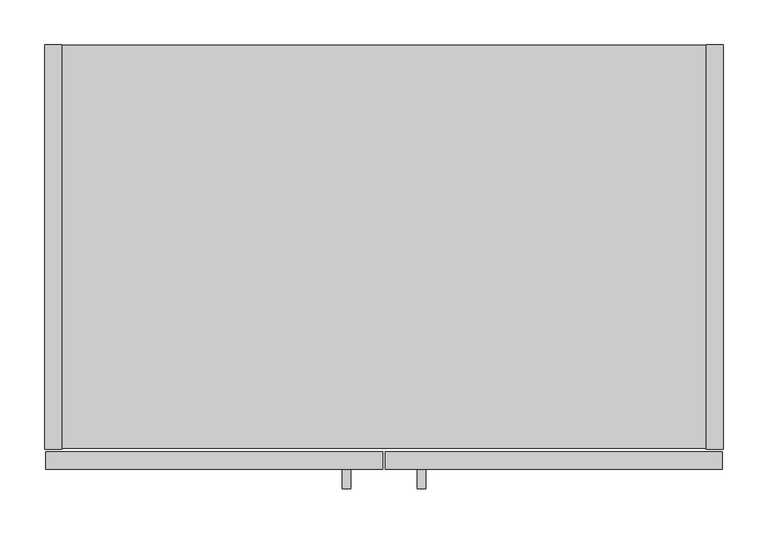
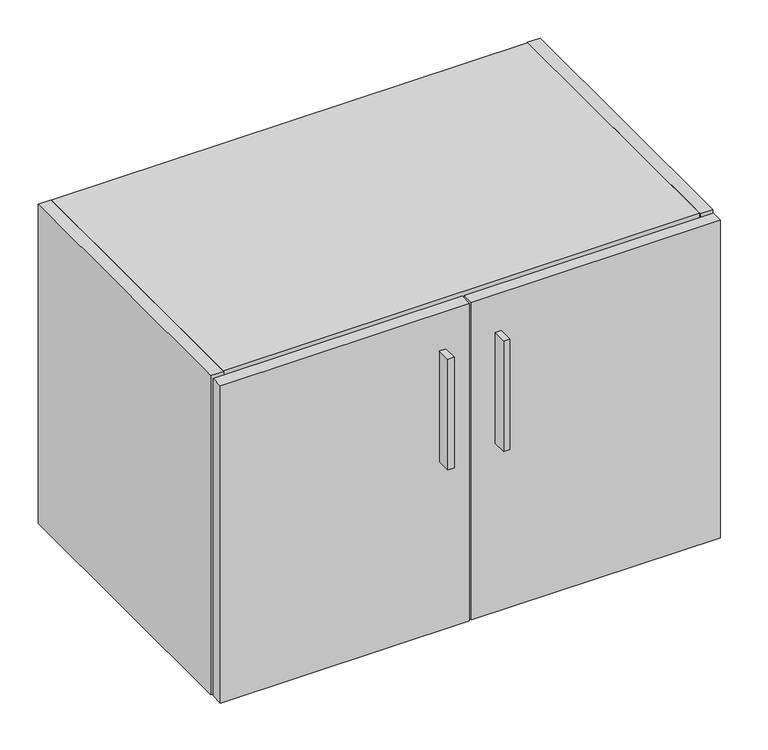
"""IFC4 building model written with IfcOpenShell, lengths in millimetres: furniture geometry."""

from ifc_helpers import new_model, si_unit, point, frame, frame_2d, origin, place, context, project, spatial, polyline, circle_curve, trimmed, segment, composite_curve, outline, extrude, source, transform, mapped, element, save


def furniture_f5475aa1(model_context):
    return source(origin(), model_context, "Body", "SweptSolid", [
        extrude(outline(polyline([(343.5338631, -498.729), (334.0088631, -498.729), (334.0088631, -476.504), (343.5338631, -476.504), (343.5338631, -498.729)])), frame((0.0, 0.0, 596.9), z_axis=(0.0, 0.0, 1.0), x_axis=(1.0, 0.0, 0.0)), (0.0, 0.0, 1.0), 177.8),
        extrude(outline(polyline([(427.9888631, -498.729), (418.4638631, -498.729), (418.4638631, -476.504), (427.9888631, -476.504), (427.9888631, -498.729)])), frame((0.0, 0.0, 596.9), z_axis=(0.0, 0.0, 1.0), x_axis=(1.0, 0.0, 0.0)), (0.0, 0.0, 1.0), 177.8),
        extrude(outline(polyline([(379.4125, -476.504), (1.5875, -476.504), (1.5875, -457.2), (379.4125, -457.2), (379.4125, -476.504)])), frame((0.0, 0.0, 325.628), z_axis=(0.0, 0.0, 1.0), x_axis=(1.0, 0.0, 0.0)), (0.0, 0.0, 1.0), 509.397),
        extrude(outline(polyline([(760.4125, -476.504), (382.5875, -476.504), (382.5875, -457.2), (760.4125, -457.2), (760.4125, -476.504)])), frame((0.0, 0.0, 325.628), z_axis=(0.0, 0.0, 1.0), x_axis=(1.0, 0.0, 0.0)), (0.0, 0.0, 1.0), 509.397),
        extrude(outline(polyline([(19.304, 0.0), (19.304, -454.025), (0.0, -454.025), (0.0, 0.0), (19.304, 0.0)])), frame((0.0, 0.0, 325.628), z_axis=(0.0, 0.0, 1.0), x_axis=(1.0, 0.0, 0.0)), (0.0, 0.0, 1.0), 512.572),
        extrude(outline(composite_curve([segment(polyline([(-454.025, 838.2), (0.0, 838.2), (0.0, 761.492), (-9.3963729, 761.492)]), True, "CONTINUOUS"), segment(trimmed(circle_curve(frame_2d((-9.3963729, 758.1883729)), 3.3036271), [point((-9.3963729, 761.492))], [point((-12.7, 758.1883729))], True, "CARTESIAN"), True, "CONTINUOUS"), segment(polyline([(-12.7, 758.1883729), (-12.7, 656.844)]), True, "CONTINUOUS"), segment(trimmed(circle_curve(frame_2d((-9.398, 656.844)), 3.302), [point((-12.7, 656.844))], [point((-9.398, 653.542))], True, "CARTESIAN"), True, "CONTINUOUS"), segment(polyline([(-9.398, 653.542), (0.0, 653.542), (0.0, 325.628), (-454.025, 325.628), (-454.025, 838.2)]), True, "CONTINUOUS")], self_intersect=False)), frame((742.696, 0.0, 0.0), z_axis=(1.0, 0.0, 0.0), x_axis=(0.0, 1.0, 0.0)), (0.0, 0.0, 1.0), 19.304),
        extrude(outline(polyline([(742.696, -0.9906), (742.696, -453.0344), (19.304, -453.0344), (19.304, -0.9906), (742.696, -0.9906)])), frame((0.0, 0.0, 326.6186), z_axis=(0.0, 0.0, 1.0), x_axis=(1.0, 0.0, 0.0)), (0.0, 0.0, 1.0), 19.304),
        extrude(outline(composite_curve([segment(polyline([(-32.004, 818.896), (-11.938, 818.896), (-11.938, 760.2988429)]), True, "CONTINUOUS"), segment(trimmed(circle_curve(frame_2d((-9.3963729, 758.1883729)), 3.3036271), [point((-11.938, 760.2988429))], [point((-12.7, 758.1883729))], True, "CARTESIAN"), True, "CONTINUOUS"), segment(polyline([(-12.7, 758.1883729), (-12.7, 656.844)]), True, "CONTINUOUS"), segment(trimmed(circle_curve(frame_2d((-9.398, 656.844)), 3.302), [point((-12.7, 656.844))], [point((-11.938, 654.7341175))], True, "CARTESIAN"), True, "CONTINUOUS"), segment(polyline([(-11.938, 654.7341175), (-11.938, 345.9226), (-32.004, 345.9226), (-32.004, 818.896)]), True, "CONTINUOUS")], self_intersect=False)), frame((19.304, 0.0, 0.0), z_axis=(1.0, 0.0, 0.0), x_axis=(0.0, 1.0, 0.0)), (0.0, 0.0, 1.0), 723.392),
        extrude(outline(polyline([(742.696, -453.0344), (19.304, -453.0344), (19.304, -0.9906), (742.696, -0.9906), (742.696, -453.0344)])), frame((0.0, 0.0, 818.896), z_axis=(0.0, 0.0, 1.0), x_axis=(1.0, 0.0, 0.0)), (0.0, 0.0, 1.0), 19.304),
    ])


if __name__ == "__main__":
    model = new_model("IFC4")
    model_context = context("Model", 3, world=origin())
    ifc_project = project(units=[si_unit("LENGTHUNIT", "METRE", prefix="MILLI")], contexts=[model_context])
    site = spatial("IfcSite", under=ifc_project)
    building = spatial("IfcBuilding", under=site)
    placement = place(None, origin())
    furniture_shape = furniture_f5475aa1(model_context)
    element("IfcFurniture", 1, at=placement, inside=building, context=model_context, shape_type="MappedRepresentation", body=[
        mapped(furniture_shape, transform((0.0, 0.0, 0.0), x_axis=(1.0, 0.0, 0.0), y_axis=(0.0, 1.0, 0.0), z_axis=(0.0, 0.0, 1.0))),
    ])
    save(model, "model.ifc")
